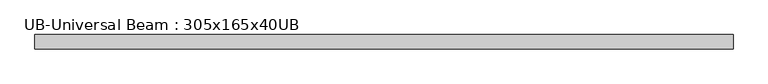
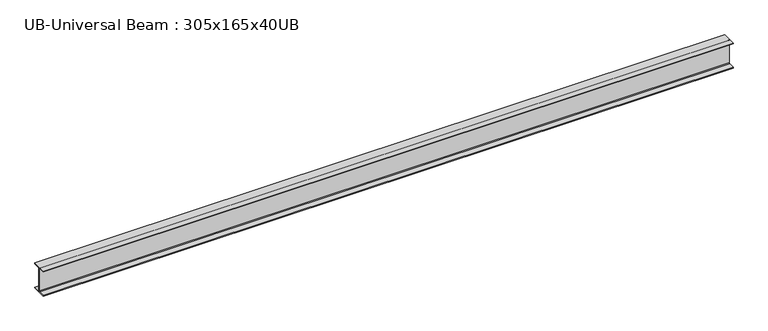
"""IFC4 building model written with IfcOpenShell, lengths in millimetres: beam geometry, UB-Universal Beam : 305x165x40UB."""

from ifc_helpers import new_model, si_unit, point, frame, frame_2d, origin, place, context, project, spatial, polyline, circle_curve, trimmed, segment, composite_curve, outline, extrude, source, transform, mapped, element, save


def ub_universal_beam_305x165x40ub_ee6826e3(model_context):
    return source(origin(), model_context, "Body", "SweptSolid", [
        extrude(outline(composite_curve([segment(polyline([(82.5, -141.5), (82.5, -151.7), (-82.5, -151.7), (-82.5, -141.5), (-11.9, -141.5)]), True, "CONTINUOUS"), segment(trimmed(circle_curve(frame_2d((-11.9, -132.6)), 8.9), [point((-11.9, -141.5))], [point((-3.0, -132.6))], True, "CARTESIAN"), True, "CONTINUOUS"), segment(polyline([(-3.0, -132.6), (-3.0, 132.6)]), True, "CONTINUOUS"), segment(trimmed(circle_curve(frame_2d((-11.9, 132.6)), 8.9), [point((-3.0, 132.6))], [point((-11.9, 141.5))], True, "CARTESIAN"), True, "CONTINUOUS"), segment(polyline([(-11.9, 141.5), (-82.5, 141.5), (-82.5, 151.7), (82.5, 151.7), (82.5, 141.5), (11.9, 141.5)]), True, "CONTINUOUS"), segment(trimmed(circle_curve(frame_2d((11.9, 132.6)), 8.9), [point((11.9, 141.5))], [point((3.0, 132.6))], True, "CARTESIAN"), True, "CONTINUOUS"), segment(polyline([(3.0, 132.6), (3.0, -132.6)]), True, "CONTINUOUS"), segment(trimmed(circle_curve(frame_2d((11.9, -132.6)), 8.9), [point((3.0, -132.6))], [point((11.9, -141.5))], True, "CARTESIAN"), True, "CONTINUOUS"), segment(polyline([(11.9, -141.5), (82.5, -141.5)]), True, "CONTINUOUS")], self_intersect=False)), frame((-3966.6655371, 0.0, 0.0), z_axis=(1.0, 0.0, 0.0), x_axis=(0.0, 1.0, 0.0)), (0.0, 0.0, 1.0), 7925.7824616),
    ])


if __name__ == "__main__":
    model = new_model("IFC4")
    model_context = context("Model", 3, world=origin())
    ifc_project = project(units=[si_unit("LENGTHUNIT", "METRE", prefix="MILLI")], contexts=[model_context])
    site = spatial("IfcSite", under=ifc_project)
    building = spatial("IfcBuilding", under=site)
    placement = place(None, origin())
    ub_universal_beam_305x165x40ub_shape = ub_universal_beam_305x165x40ub_ee6826e3(model_context)
    element("IfcBeam", 1, ObjectType="UB-Universal Beam : 305x165x40UB", at=placement, inside=building, context=model_context, shape_type="MappedRepresentation", body=[
        mapped(ub_universal_beam_305x165x40ub_shape, transform((0.0, 0.0, 0.0), x_axis=(1.0, 0.0, 0.0), y_axis=(0.0, 1.0, 0.0), z_axis=(0.0, 0.0, 1.0))),
    ])
    save(model, "model.ifc")
